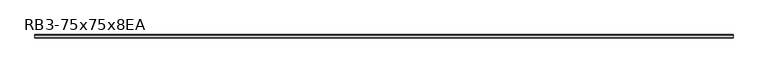
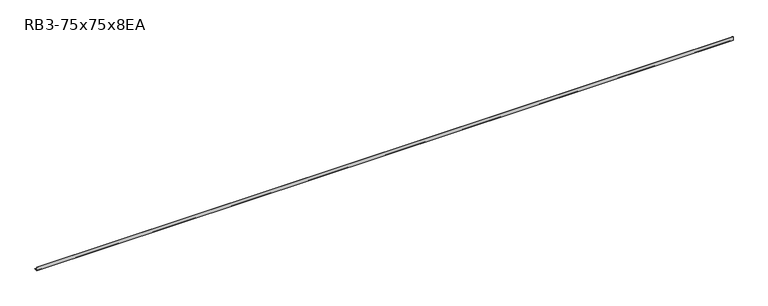
"""IFC4 building model written with IfcOpenShell, lengths in millimetres: member geometry, RB3-75x75x8EA."""

import ifcopenshell
import ifcopenshell.guid

model = None  # the IFC model being written
_history = None  # IfcOwnerHistory: only IFC2X3 demands one
_inside = {}  # id of a spatial element -> (the spatial element, [elements in it])
_under = {}  # id of a project, library or spatial element -> (it, [spatial elements below it])
_declared = {}  # id of a project -> (the project, [libraries it declares])
_typed = {}  # id of a type object -> (the type object, [elements of that type])
_made_of = {}  # id of a material, layer set ... -> (it, [elements and type objects made of it])


def new_model(schema):
    """Start an empty IFC model of exactly this schema.

    Asked for "IFC4X3", IfcOpenShell would pick the latest addendum, in which some entities
    have other attributes; the version numbers below select the first issue.
    IFC2X3 requires an IfcOwnerHistory on every rooted entity: one is made here for all.
    """
    global model, _history
    if schema == "IFC4X3":
        model = ifcopenshell.file(schema_version=(4, 3, 0, 0))
    else:
        model = ifcopenshell.file(schema=schema)
    _inside.clear()
    _under.clear()
    _declared.clear()
    _typed.clear()
    _made_of.clear()
    _history = None
    if model.schema == "IFC2X3":
        org = make("IfcOrganization", Name="unknown")
        user = make(
            "IfcPersonAndOrganization",
            ThePerson=make("IfcPerson", FamilyName="unknown"),
            TheOrganization=org,
        )
        app = make(
            "IfcApplication",
            ApplicationDeveloper=org,
            Version="unknown",
            ApplicationFullName="unknown",
            ApplicationIdentifier="unknown",
        )
        _history = make(
            "IfcOwnerHistory",
            OwningUser=user,
            OwningApplication=app,
            ChangeAction="ADDED",
            CreationDate=0,
        )
    return model


def make(cls, **values):
    """One entity of the class cls with the attributes given. An attribute that is None is left unset."""
    return model.create_entity(
        cls, **{name: value for name, value in values.items() if value is not None}
    )


def rooted(cls, **values):
    """An entity with a GlobalId (a new one), such as an element, a storey or a relation."""
    return make(cls, GlobalId=ifcopenshell.guid.new(), OwnerHistory=_history, **values)


def si_unit(unit_type, name, prefix=None):
    """IfcSIUnit, for example si_unit("LENGTHUNIT", "METRE", prefix="MILLI")."""
    return make("IfcSIUnit", UnitType=unit_type, Prefix=prefix, Name=name)


def assignment(units):
    """IfcUnitAssignment: the units of a project."""
    return None if units is None else make("IfcUnitAssignment", Units=units)


def point(xyz):
    """IfcCartesianPoint."""
    return None if xyz is None else make("IfcCartesianPoint", Coordinates=xyz)


def direction(xyz):
    """IfcDirection."""
    return None if xyz is None else make("IfcDirection", DirectionRatios=xyz)


def frame(location, z_axis=None, x_axis=None):
    """IfcAxis2Placement3D, a coordinate frame: its origin and axes. An axis left out is left unset."""
    return make(
        "IfcAxis2Placement3D",
        Location=point(location),
        Axis=direction(z_axis),
        RefDirection=direction(x_axis),
    )


def frame_2d(location, x_axis=None):
    """IfcAxis2Placement2D, a coordinate frame in the plane: its origin and x axis."""
    return make(
        "IfcAxis2Placement2D", Location=point(location), RefDirection=direction(x_axis)
    )


def origin():
    """The frame at (0, 0, 0) with its axes left unset."""
    return frame((0.0, 0.0, 0.0))


def place(relative_to, where):
    """IfcLocalPlacement: puts the frame where relative to a parent placement (None: the world)."""
    return make(
        "IfcLocalPlacement", PlacementRelTo=relative_to, RelativePlacement=where
    )


def context(
    kind, dimensions, precision=None, world=None, true_north=None, identifier=None
):
    """IfcGeometricRepresentationContext, for example the 3D "Model" context."""
    return make(
        "IfcGeometricRepresentationContext",
        ContextIdentifier=identifier,
        ContextType=kind,
        CoordinateSpaceDimension=dimensions,
        Precision=precision,
        WorldCoordinateSystem=world,
        TrueNorth=true_north,
    )


def project(units=None, contexts=None):
    """IfcProject with its units and contexts."""
    return rooted(
        "IfcProject",
        Name="project",
        RepresentationContexts=contexts,
        UnitsInContext=assignment(units),
    )


def spatial(cls, under=None, at=None, **own):
    """A site, building, storey or space (cls), placed at a placement, below another one or the project."""
    s = rooted(cls, ObjectPlacement=at, **own)
    if under is not None:
        _under.setdefault(under.id(), (under, []))[1].append(s)
    return s


def polyline(points):
    """IfcPolyline through the points."""
    return make("IfcPolyline", Points=[point(p) for p in points])


def circle_curve(where, radius):
    """IfcCircle in the frame where."""
    return make("IfcCircle", Position=where, Radius=radius)


def trimmed(basis, trim1, trim2, sense, master):
    """IfcTrimmedCurve: the piece of a basis curve between two trims."""
    return make(
        "IfcTrimmedCurve",
        BasisCurve=basis,
        Trim1=trim1,
        Trim2=trim2,
        SenseAgreement=sense,
        MasterRepresentation=master,
    )


def segment(curve, same_sense, transition):
    """IfcCompositeCurveSegment."""
    return make(
        "IfcCompositeCurveSegment",
        Transition=transition,
        SameSense=same_sense,
        ParentCurve=curve,
    )


def composite_curve(segments, self_intersect=None):
    """IfcCompositeCurve: segments joined end to end."""
    return make("IfcCompositeCurve", Segments=segments, SelfIntersect=self_intersect)


def outline(outer, holes=None, kind="AREA"):
    """IfcArbitraryClosedProfileDef: a profile drawn as a closed curve; with holes, ...WithVoids."""
    if holes is None:
        return make("IfcArbitraryClosedProfileDef", ProfileType=kind, OuterCurve=outer)
    return make(
        "IfcArbitraryProfileDefWithVoids",
        ProfileType=kind,
        OuterCurve=outer,
        InnerCurves=holes,
    )


def extrude(swept, where, along, depth):
    """IfcExtrudedAreaSolid: the profile swept, set in the frame where, extruded along a direction by depth."""
    return make(
        "IfcExtrudedAreaSolid",
        SweptArea=swept,
        Position=where,
        ExtrudedDirection=direction(along),
        Depth=depth,
    )


def shape(context_of_items, identifier, shape_type, items):
    """IfcShapeRepresentation: the items that make up one representation, for example the "Body"."""
    return make(
        "IfcShapeRepresentation",
        ContextOfItems=context_of_items,
        RepresentationIdentifier=identifier,
        RepresentationType=shape_type,
        Items=items,
    )


def source(mapping_origin, context_of_items, identifier, shape_type, items):
    """IfcRepresentationMap: a shape defined once, which mapped items show again and again."""
    return make(
        "IfcRepresentationMap",
        MappingOrigin=mapping_origin,
        MappedRepresentation=shape(context_of_items, identifier, shape_type, items),
    )


def transform(
    local_origin,
    x_axis=None,
    y_axis=None,
    z_axis=None,
    scale=None,
    scale2=None,
    scale3=None,
    uniform=True,
):
    """IfcCartesianTransformationOperator3D, or its non-uniform kind. x_axis, y_axis, z_axis: its Axis1, 2, 3."""
    if uniform:
        return make(
            "IfcCartesianTransformationOperator3D",
            Axis1=direction(x_axis),
            Axis2=direction(y_axis),
            LocalOrigin=point(local_origin),
            Scale=scale,
            Axis3=direction(z_axis),
        )
    return make(
        "IfcCartesianTransformationOperator3DnonUniform",
        Axis1=direction(x_axis),
        Axis2=direction(y_axis),
        LocalOrigin=point(local_origin),
        Scale=scale,
        Axis3=direction(z_axis),
        Scale2=scale2,
        Scale3=scale3,
    )


def mapped(mapping_source, mapping_target):
    """IfcMappedItem: shows the shape of a source again, moved by a transform."""
    return make(
        "IfcMappedItem", MappingSource=mapping_source, MappingTarget=mapping_target
    )


def made_of(thing, what):
    """Note that an element or type object is made of a material, layer set ...; save() writes the relation."""
    if what is not None:
        _made_of.setdefault(what.id(), (what, []))[1].append(thing)
    return thing


def element(
    cls,
    number,
    at=None,
    inside=None,
    cuts=None,
    type_object=None,
    material=None,
    context=None,
    identifier="Body",
    shape_type=None,
    held_by="IfcProductDefinitionShape",
    body=None,
    shapes=None,
    **own,
):
    """One element of the class cls, such as IfcWall. Its Tag is "e" and its number.

    at: its placement. inside: the storey or other place that contains it. cuts: it is an
    opening in that element (IfcRelVoidsElement). A single representation is given by context,
    identifier, shape_type and body (its items); several are given by shapes. held_by: the class
    of the entity that holds the representations. save() writes the other relations.
    """
    e = rooted(cls, Tag="e%d" % number, ObjectPlacement=at, **own)
    if body is not None:
        shapes = [shape(context, identifier, shape_type, body)]
    if shapes is not None:
        e.Representation = make(held_by, Representations=shapes)
    if inside is not None:
        _inside.setdefault(inside.id(), (inside, []))[1].append(e)
    if cuts is not None:
        rooted(
            "IfcRelVoidsElement", RelatingBuildingElement=cuts, RelatedOpeningElement=e
        )
    if type_object is not None:
        _typed.setdefault(type_object.id(), (type_object, []))[1].append(e)
    return made_of(e, material)


def aggregate(whole, parts):
    """IfcRelAggregates: a whole, such as a stair, and the parts it consists of."""
    return rooted("IfcRelAggregates", RelatingObject=whole, RelatedObjects=parts)


def save(model, path):
    """Write the relations noted so far, then the file.

    IfcRelAggregates (storeys below a building ...), IfcRelContainedInSpatialStructure (elements
    in a storey), IfcRelDefinesByType, IfcRelAssociatesMaterial and IfcRelDeclares: one each for
    every whole, place, type object, material and project.
    """
    for whole, parts in _under.values():
        aggregate(whole, parts)
    for where, things in _inside.values():
        rooted(
            "IfcRelContainedInSpatialStructure",
            RelatedElements=things,
            RelatingStructure=where,
        )
    for kind, things in _typed.values():
        rooted("IfcRelDefinesByType", RelatedObjects=things, RelatingType=kind)
    for what, things in _made_of.values():
        rooted("IfcRelAssociatesMaterial", RelatedObjects=things, RelatingMaterial=what)
    for by, libraries in _declared.values():
        rooted("IfcRelDeclares", RelatingContext=by, RelatedDefinitions=libraries)
    model.write(path)


def rb3_75x75x8ea_6ceaabdd(model_context):
    return source(origin(), model_context, "Body", "SweptSolid", [
        extrude(outline(composite_curve([segment(polyline([(-21.3, -21.3), (-21.3, 53.7), (-18.3, 53.7)]), True, "CONTINUOUS"), segment(trimmed(circle_curve(frame_2d((-18.3, 48.7)), 5.0), [point((-18.3, 53.7))], [point((-13.3, 48.7))], False, "CARTESIAN"), True, "CONTINUOUS"), segment(polyline([(-13.3, 48.7), (-13.3, -5.3)]), True, "CONTINUOUS"), segment(trimmed(circle_curve(frame_2d((-5.3, -5.3)), 8.0), [point((-13.3, -5.3))], [point((-5.3, -13.3))], True, "CARTESIAN"), True, "CONTINUOUS"), segment(polyline([(-5.3, -13.3), (48.7, -13.3)]), True, "CONTINUOUS"), segment(trimmed(circle_curve(frame_2d((48.7, -18.3)), 5.0), [point((48.7, -13.3))], [point((53.7, -18.3))], False, "CARTESIAN"), True, "CONTINUOUS"), segment(polyline([(53.7, -18.3), (53.7, -21.3), (-21.3, -21.3)]), True, "CONTINUOUS")], self_intersect=False)), frame((-7381.0, 0.0, 0.0), z_axis=(1.0, 0.0, 0.0), x_axis=(0.0, 1.0, 0.0)), (0.0, 0.0, 1.0), 14591.4675191),
    ])


if __name__ == "__main__":
    model = new_model("IFC4")
    model_context = context("Model", 3, world=origin())
    ifc_project = project(units=[si_unit("LENGTHUNIT", "METRE", prefix="MILLI")], contexts=[model_context])
    site = spatial("IfcSite", under=ifc_project)
    building = spatial("IfcBuilding", under=site)
    placement = place(None, origin())
    rb3_75x75x8ea_shape = rb3_75x75x8ea_6ceaabdd(model_context)
    element("IfcMember", 1, ObjectType="RB3-75x75x8EA", at=placement, inside=building, context=model_context, shape_type="MappedRepresentation", body=[
        mapped(rb3_75x75x8ea_shape, transform((0.0, 0.0, 0.0), x_axis=(1.0, 0.0, 0.0), y_axis=(0.0, 1.0, 0.0), z_axis=(0.0, 0.0, 1.0))),
    ])
    save(model, "model.ifc")
